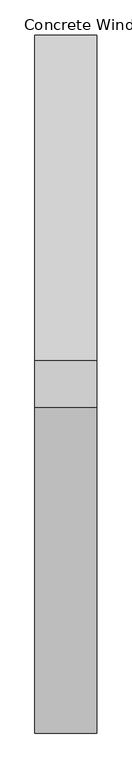
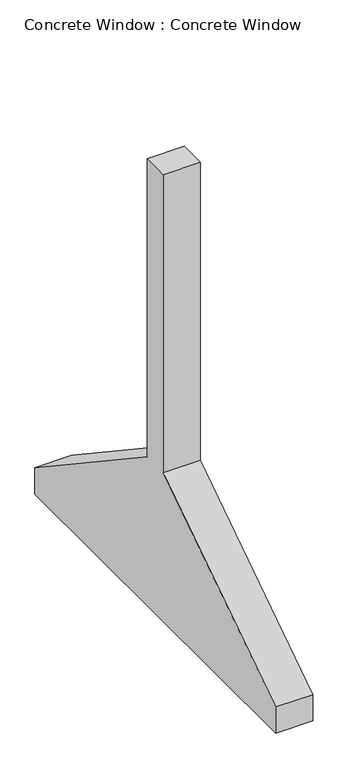
"""IFC4 building model written with IfcOpenShell, lengths in millimetres: proxy geometry, Concrete Window : Concrete Window."""

from ifc_helpers import new_model, si_unit, frame, origin, place, context, project, spatial, polyline, outline, extrude, source, transform, mapped, element, save


def concrete_window_concrete_window_244b7f34(model_context):
    return source(origin(), model_context, "Body", "SweptSolid", [
        extrude(outline(polyline([(-79864.2462505, 0.0), (-79864.2462505, 152.4), (-78797.4462505, 863.6), (-78797.4462505, 2590.8), (-78645.0462505, 2590.8), (-78645.0462505, 863.6), (-77578.2462505, 152.4), (-77578.2462505, 0.0), (-79864.2462505, 0.0)])), frame((260409.2043688, 0.0, 0.0), z_axis=(1.0, 0.0, 0.0), x_axis=(0.0, 1.0, 0.0)), (0.0, 0.0, 1.0), 203.2),
    ])


if __name__ == "__main__":
    model = new_model("IFC4")
    model_context = context("Model", 3, world=origin())
    ifc_project = project(units=[si_unit("LENGTHUNIT", "METRE", prefix="MILLI")], contexts=[model_context])
    site = spatial("IfcSite", under=ifc_project)
    building = spatial("IfcBuilding", under=site)
    placement = place(None, origin())
    concrete_window_concrete_window_shape = concrete_window_concrete_window_244b7f34(model_context)
    element("IfcBuildingElementProxy", 1, Name="Concrete Window : Concrete Window", ObjectType="Concrete Window : Concrete Window", at=placement, inside=building, context=model_context, shape_type="MappedRepresentation", body=[
        mapped(concrete_window_concrete_window_shape, transform((0.0, 0.0, 0.0), x_axis=(1.0, 0.0, 0.0), y_axis=(0.0, 1.0, 0.0), z_axis=(0.0, 0.0, 1.0))),
    ])
    save(model, "model.ifc")
